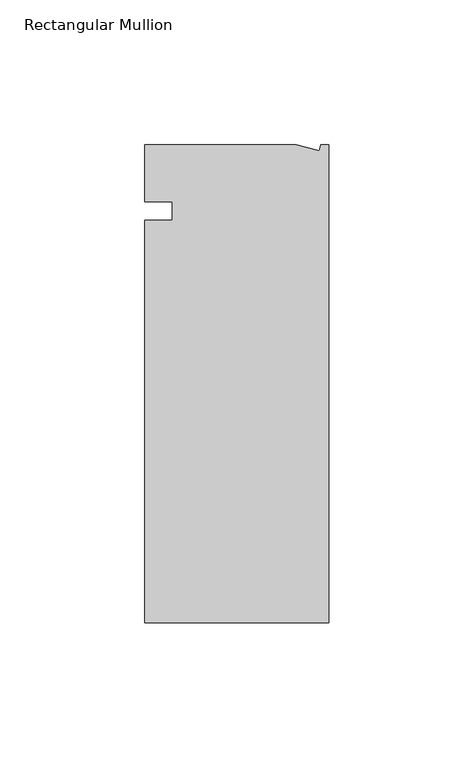
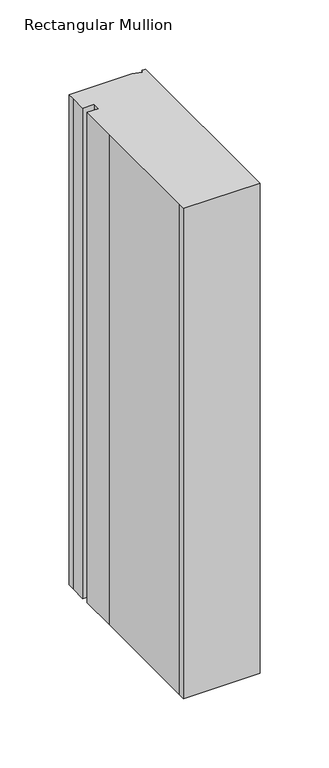
"""IFC4 building model written with IfcOpenShell, lengths in millimetres: member geometry, Rectangular Mullion."""

from ifc_helpers import new_model, si_unit, frame, origin, place, context, project, spatial, polyline, outline, extrude, source, transform, mapped, element, save


def rectangular_mullion_c3887d74(model_context):
    return source(origin(), model_context, "Body", "SweptSolid", [
        extrude(outline(polyline([(-11.1265412, 19.6597595), (-3.3457217, 17.5748952), (-2.787084, 19.6597595), (0.0, 19.6597595), (0.0, -145.4402405), (-63.5, -145.4402405), (-63.5, -139.091245), (-63.5, -38.3358837), (-63.5, -6.35), (-53.975, -6.35), (-53.975, 0.0), (-63.5, 0.0), (-63.5, 13.6200033), (-63.5, 19.6597595), (-11.1265412, 19.6597595)])), frame((0.0, 0.0, -431.8), z_axis=(0.0, 0.0, 1.0), x_axis=(1.0, 0.0, 0.0)), (0.0, 0.0, 1.0), 431.8),
    ])


if __name__ == "__main__":
    model = new_model("IFC4")
    model_context = context("Model", 3, world=origin())
    ifc_project = project(units=[si_unit("LENGTHUNIT", "METRE", prefix="MILLI")], contexts=[model_context])
    site = spatial("IfcSite", under=ifc_project)
    building = spatial("IfcBuilding", under=site)
    placement = place(None, origin())
    rectangular_mullion_shape = rectangular_mullion_c3887d74(model_context)
    element("IfcMember", 1, ObjectType="Rectangular Mullion", at=placement, inside=building, context=model_context, shape_type="MappedRepresentation", body=[
        mapped(rectangular_mullion_shape, transform((0.0, 0.0, 0.0), x_axis=(1.0, 0.0, 0.0), y_axis=(0.0, 1.0, 0.0), z_axis=(0.0, 0.0, 1.0))),
    ])
    save(model, "model.ifc")
